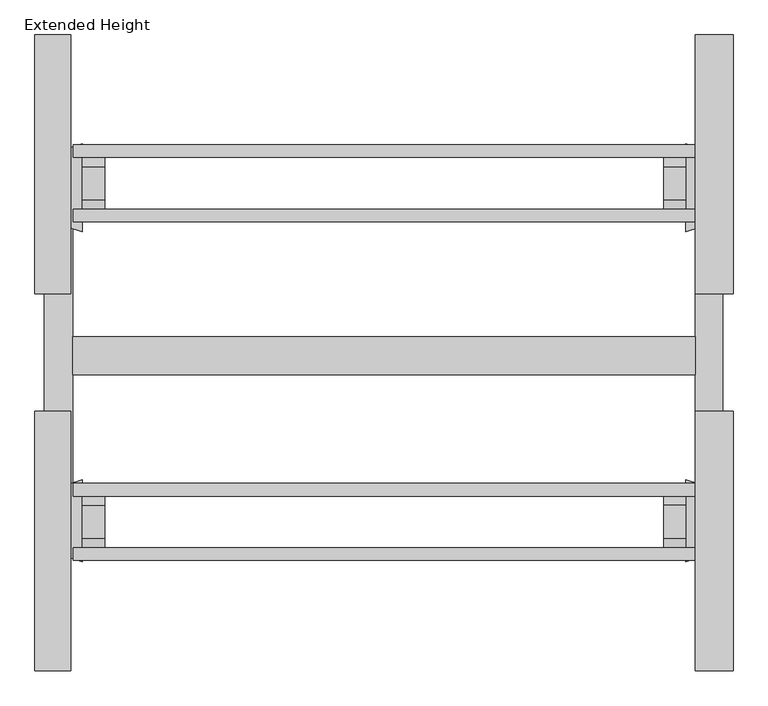
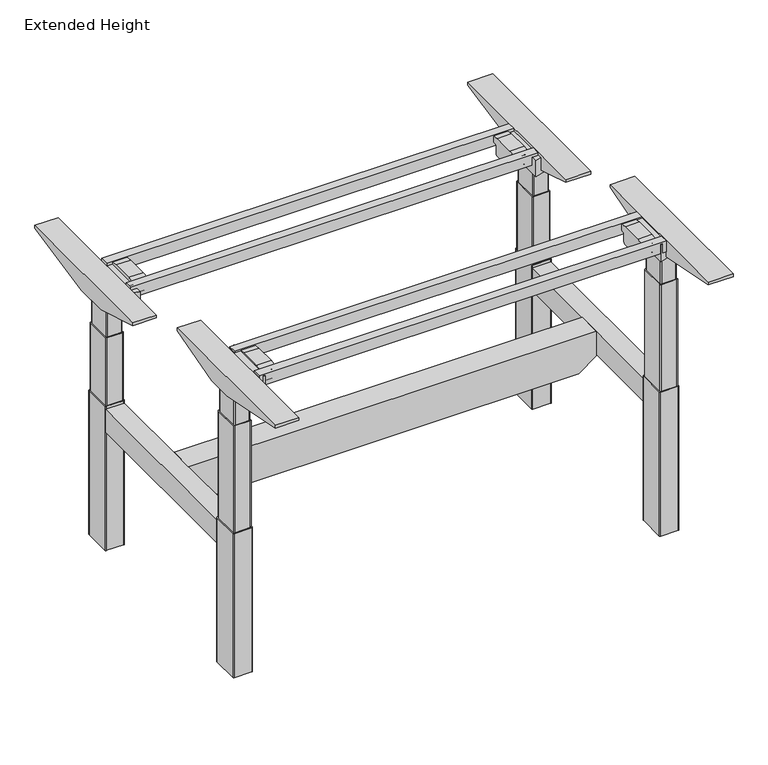
"""IFC4 building model written with IfcOpenShell, lengths in millimetres: furniture geometry, Extended Height."""

import ifcopenshell
import ifcopenshell.guid

model = None  # the IFC model being written
_history = None  # IfcOwnerHistory: only IFC2X3 demands one
_inside = {}  # id of a spatial element -> (the spatial element, [elements in it])
_under = {}  # id of a project, library or spatial element -> (it, [spatial elements below it])
_declared = {}  # id of a project -> (the project, [libraries it declares])
_typed = {}  # id of a type object -> (the type object, [elements of that type])
_made_of = {}  # id of a material, layer set ... -> (it, [elements and type objects made of it])


def new_model(schema):
    """Start an empty IFC model of exactly this schema.

    Asked for "IFC4X3", IfcOpenShell would pick the latest addendum, in which some entities
    have other attributes; the version numbers below select the first issue.
    IFC2X3 requires an IfcOwnerHistory on every rooted entity: one is made here for all.
    """
    global model, _history
    if schema == "IFC4X3":
        model = ifcopenshell.file(schema_version=(4, 3, 0, 0))
    else:
        model = ifcopenshell.file(schema=schema)
    _inside.clear()
    _under.clear()
    _declared.clear()
    _typed.clear()
    _made_of.clear()
    _history = None
    if model.schema == "IFC2X3":
        org = make("IfcOrganization", Name="unknown")
        user = make(
            "IfcPersonAndOrganization",
            ThePerson=make("IfcPerson", FamilyName="unknown"),
            TheOrganization=org,
        )
        app = make(
            "IfcApplication",
            ApplicationDeveloper=org,
            Version="unknown",
            ApplicationFullName="unknown",
            ApplicationIdentifier="unknown",
        )
        _history = make(
            "IfcOwnerHistory",
            OwningUser=user,
            OwningApplication=app,
            ChangeAction="ADDED",
            CreationDate=0,
        )
    return model


def make(cls, **values):
    """One entity of the class cls with the attributes given. An attribute that is None is left unset."""
    return model.create_entity(
        cls, **{name: value for name, value in values.items() if value is not None}
    )


def rooted(cls, **values):
    """An entity with a GlobalId (a new one), such as an element, a storey or a relation."""
    return make(cls, GlobalId=ifcopenshell.guid.new(), OwnerHistory=_history, **values)


def si_unit(unit_type, name, prefix=None):
    """IfcSIUnit, for example si_unit("LENGTHUNIT", "METRE", prefix="MILLI")."""
    return make("IfcSIUnit", UnitType=unit_type, Prefix=prefix, Name=name)


def assignment(units):
    """IfcUnitAssignment: the units of a project."""
    return None if units is None else make("IfcUnitAssignment", Units=units)


def point(xyz):
    """IfcCartesianPoint."""
    return None if xyz is None else make("IfcCartesianPoint", Coordinates=xyz)


def direction(xyz):
    """IfcDirection."""
    return None if xyz is None else make("IfcDirection", DirectionRatios=xyz)


def frame(location, z_axis=None, x_axis=None):
    """IfcAxis2Placement3D, a coordinate frame: its origin and axes. An axis left out is left unset."""
    return make(
        "IfcAxis2Placement3D",
        Location=point(location),
        Axis=direction(z_axis),
        RefDirection=direction(x_axis),
    )


def frame_2d(location, x_axis=None):
    """IfcAxis2Placement2D, a coordinate frame in the plane: its origin and x axis."""
    return make(
        "IfcAxis2Placement2D", Location=point(location), RefDirection=direction(x_axis)
    )


def origin():
    """The frame at (0, 0, 0) with its axes left unset."""
    return frame((0.0, 0.0, 0.0))


def origin_with_axes():
    """The frame at (0, 0, 0) with the z axis (0, 0, 1) and the x axis (1, 0, 0) written out."""
    return frame((0.0, 0.0, 0.0), z_axis=(0.0, 0.0, 1.0), x_axis=(1.0, 0.0, 0.0))


def place(relative_to, where):
    """IfcLocalPlacement: puts the frame where relative to a parent placement (None: the world)."""
    return make(
        "IfcLocalPlacement", PlacementRelTo=relative_to, RelativePlacement=where
    )


def context(
    kind, dimensions, precision=None, world=None, true_north=None, identifier=None
):
    """IfcGeometricRepresentationContext, for example the 3D "Model" context."""
    return make(
        "IfcGeometricRepresentationContext",
        ContextIdentifier=identifier,
        ContextType=kind,
        CoordinateSpaceDimension=dimensions,
        Precision=precision,
        WorldCoordinateSystem=world,
        TrueNorth=true_north,
    )


def project(units=None, contexts=None):
    """IfcProject with its units and contexts."""
    return rooted(
        "IfcProject",
        Name="project",
        RepresentationContexts=contexts,
        UnitsInContext=assignment(units),
    )


def spatial(cls, under=None, at=None, **own):
    """A site, building, storey or space (cls), placed at a placement, below another one or the project."""
    s = rooted(cls, ObjectPlacement=at, **own)
    if under is not None:
        _under.setdefault(under.id(), (under, []))[1].append(s)
    return s


def polyline(points):
    """IfcPolyline through the points."""
    return make("IfcPolyline", Points=[point(p) for p in points])


def circle_curve(where, radius):
    """IfcCircle in the frame where."""
    return make("IfcCircle", Position=where, Radius=radius)


def trimmed(basis, trim1, trim2, sense, master):
    """IfcTrimmedCurve: the piece of a basis curve between two trims."""
    return make(
        "IfcTrimmedCurve",
        BasisCurve=basis,
        Trim1=trim1,
        Trim2=trim2,
        SenseAgreement=sense,
        MasterRepresentation=master,
    )


def segment(curve, same_sense, transition):
    """IfcCompositeCurveSegment."""
    return make(
        "IfcCompositeCurveSegment",
        Transition=transition,
        SameSense=same_sense,
        ParentCurve=curve,
    )


def composite_curve(segments, self_intersect=None):
    """IfcCompositeCurve: segments joined end to end."""
    return make("IfcCompositeCurve", Segments=segments, SelfIntersect=self_intersect)


def outline(outer, holes=None, kind="AREA"):
    """IfcArbitraryClosedProfileDef: a profile drawn as a closed curve; with holes, ...WithVoids."""
    if holes is None:
        return make("IfcArbitraryClosedProfileDef", ProfileType=kind, OuterCurve=outer)
    return make(
        "IfcArbitraryProfileDefWithVoids",
        ProfileType=kind,
        OuterCurve=outer,
        InnerCurves=holes,
    )


def extrude(swept, where, along, depth):
    """IfcExtrudedAreaSolid: the profile swept, set in the frame where, extruded along a direction by depth."""
    return make(
        "IfcExtrudedAreaSolid",
        SweptArea=swept,
        Position=where,
        ExtrudedDirection=direction(along),
        Depth=depth,
    )


def shape(context_of_items, identifier, shape_type, items):
    """IfcShapeRepresentation: the items that make up one representation, for example the "Body"."""
    return make(
        "IfcShapeRepresentation",
        ContextOfItems=context_of_items,
        RepresentationIdentifier=identifier,
        RepresentationType=shape_type,
        Items=items,
    )


def source(mapping_origin, context_of_items, identifier, shape_type, items):
    """IfcRepresentationMap: a shape defined once, which mapped items show again and again."""
    return make(
        "IfcRepresentationMap",
        MappingOrigin=mapping_origin,
        MappedRepresentation=shape(context_of_items, identifier, shape_type, items),
    )


def transform(
    local_origin,
    x_axis=None,
    y_axis=None,
    z_axis=None,
    scale=None,
    scale2=None,
    scale3=None,
    uniform=True,
):
    """IfcCartesianTransformationOperator3D, or its non-uniform kind. x_axis, y_axis, z_axis: its Axis1, 2, 3."""
    if uniform:
        return make(
            "IfcCartesianTransformationOperator3D",
            Axis1=direction(x_axis),
            Axis2=direction(y_axis),
            LocalOrigin=point(local_origin),
            Scale=scale,
            Axis3=direction(z_axis),
        )
    return make(
        "IfcCartesianTransformationOperator3DnonUniform",
        Axis1=direction(x_axis),
        Axis2=direction(y_axis),
        LocalOrigin=point(local_origin),
        Scale=scale,
        Axis3=direction(z_axis),
        Scale2=scale2,
        Scale3=scale3,
    )


def mapped(mapping_source, mapping_target):
    """IfcMappedItem: shows the shape of a source again, moved by a transform."""
    return make(
        "IfcMappedItem", MappingSource=mapping_source, MappingTarget=mapping_target
    )


def made_of(thing, what):
    """Note that an element or type object is made of a material, layer set ...; save() writes the relation."""
    if what is not None:
        _made_of.setdefault(what.id(), (what, []))[1].append(thing)
    return thing


def element(
    cls,
    number,
    at=None,
    inside=None,
    cuts=None,
    type_object=None,
    material=None,
    context=None,
    identifier="Body",
    shape_type=None,
    held_by="IfcProductDefinitionShape",
    body=None,
    shapes=None,
    **own,
):
    """One element of the class cls, such as IfcWall. Its Tag is "e" and its number.

    at: its placement. inside: the storey or other place that contains it. cuts: it is an
    opening in that element (IfcRelVoidsElement). A single representation is given by context,
    identifier, shape_type and body (its items); several are given by shapes. held_by: the class
    of the entity that holds the representations. save() writes the other relations.
    """
    e = rooted(cls, Tag="e%d" % number, ObjectPlacement=at, **own)
    if body is not None:
        shapes = [shape(context, identifier, shape_type, body)]
    if shapes is not None:
        e.Representation = make(held_by, Representations=shapes)
    if inside is not None:
        _inside.setdefault(inside.id(), (inside, []))[1].append(e)
    if cuts is not None:
        rooted(
            "IfcRelVoidsElement", RelatingBuildingElement=cuts, RelatedOpeningElement=e
        )
    if type_object is not None:
        _typed.setdefault(type_object.id(), (type_object, []))[1].append(e)
    return made_of(e, material)


def aggregate(whole, parts):
    """IfcRelAggregates: a whole, such as a stair, and the parts it consists of."""
    return rooted("IfcRelAggregates", RelatingObject=whole, RelatedObjects=parts)


def save(model, path):
    """Write the relations noted so far, then the file.

    IfcRelAggregates (storeys below a building ...), IfcRelContainedInSpatialStructure (elements
    in a storey), IfcRelDefinesByType, IfcRelAssociatesMaterial and IfcRelDeclares: one each for
    every whole, place, type object, material and project.
    """
    for whole, parts in _under.values():
        aggregate(whole, parts)
    for where, things in _inside.values():
        rooted(
            "IfcRelContainedInSpatialStructure",
            RelatedElements=things,
            RelatingStructure=where,
        )
    for kind, things in _typed.values():
        rooted("IfcRelDefinesByType", RelatedObjects=things, RelatingType=kind)
    for what, things in _made_of.values():
        rooted("IfcRelAssociatesMaterial", RelatedObjects=things, RelatingMaterial=what)
    for by, libraries in _declared.values():
        rooted("IfcRelDeclares", RelatingContext=by, RelatedDefinitions=libraries)
    model.write(path)


def extended_height_a471dda7(model_context):
    return source(origin(), model_context, "Body", "SweptSolid", [
        extrude(outline(polyline([(1331.8504883, -466.1832528), (1331.8504883, -491.5833013), (77.8495117, -491.5833013), (77.8495117, -466.1832528), (1331.8504883, -466.1832528)])), frame((0.0, 0.0, 827.9997747), z_axis=(0.0, 0.0, 1.0), x_axis=(1.0, 0.0, 0.0)), (0.0, 0.0, 1.0), 35.6002253),
        extrude(outline(polyline([(1331.8504883, -336.1417692), (1331.8504883, -361.5418176), (77.8495117, -361.5418176), (77.8495117, -336.1417692), (1331.8504883, -336.1417692)])), frame((0.0, 0.0, 827.9997747), z_axis=(0.0, 0.0, 1.0), x_axis=(1.0, 0.0, 0.0)), (0.0, 0.0, 1.0), 35.6002253),
        extrude(outline(polyline([(1331.8504883, -1019.7166987), (1331.8504883, -1045.1167472), (77.8495117, -1045.1167472), (77.8495117, -1019.7166987), (1331.8504883, -1019.7166987)])), frame((0.0, 0.0, 954.9997747), z_axis=(0.0, 0.0, 1.0), x_axis=(1.0, 0.0, 0.0)), (0.0, 0.0, 1.0), 35.6002253),
        extrude(outline(polyline([(1331.8504883, -1149.7581824), (1331.8504883, -1175.1582308), (77.8495117, -1175.1582308), (77.8495117, -1149.7581824), (1331.8504883, -1149.7581824)])), frame((0.0, 0.0, 954.9997747), z_axis=(0.0, 0.0, 1.0), x_axis=(1.0, 0.0, 0.0)), (0.0, 0.0, 1.0), 35.6002253),
        extrude(outline(polyline([(467.7156009, 1333.282959), (467.7156009, 76.417041), (388.942891, 76.417041), (347.7514117, 129.7292559), (347.7514117, 1279.9707441), (388.942891, 1333.282959), (467.7156009, 1333.282959)])), frame((0.0, -800.1, 0.0), z_axis=(0.0, 1.0, 0.0), x_axis=(0.0, 0.0, 1.0)), (0.0, 0.0, 1.0), 76.2),
        extrude(outline(composite_curve([segment(polyline([(-1040.1471632, 967.5171551), (-1054.6796212, 967.5171551)]), True, "CONTINUOUS"), segment(trimmed(circle_curve(frame_2d((-1054.6796212, 964.9436804)), 2.5734747), [point((-1054.6796212, 967.5171551))], [point((-1057.2530959, 964.9436804))], True, "CARTESIAN"), True, "CONTINUOUS"), segment(polyline([(-1057.2530959, 964.9436804), (-1057.2530959, 938.4605175)]), True, "CONTINUOUS"), segment(trimmed(circle_curve(frame_2d((-1062.3077725, 938.4605175)), 5.0546767), [point((-1057.2530959, 938.4605175))], [point((-1062.3077725, 933.4058409))], False, "CARTESIAN"), True, "CONTINUOUS"), segment(polyline([(-1062.3077725, 933.4058409), (-1131.1363616, 933.4058409)]), True, "CONTINUOUS"), segment(trimmed(circle_curve(frame_2d((-1131.1363616, 938.2898603)), 4.8840194), [point((-1131.1363616, 933.4058409))], [point((-1136.020381, 938.2898603))], False, "CARTESIAN"), True, "CONTINUOUS"), segment(polyline([(-1136.020381, 938.2898603), (-1136.020381, 964.1779551)]), True, "CONTINUOUS"), segment(trimmed(circle_curve(frame_2d((-1139.1693211, 964.1779551)), 3.1489401), [point((-1136.020381, 964.1779551))], [point((-1139.1693211, 967.3268952))], True, "CARTESIAN"), True, "CONTINUOUS"), segment(polyline([(-1139.1693211, 967.3268952), (-1153.5282722, 967.3268952), (-1153.5282722, 987.2799481), (-1129.9048758, 990.6), (-1063.1945212, 990.6), (-1040.1471632, 987.3609051), (-1040.1471632, 967.5171551)]), True, "CONTINUOUS")], self_intersect=False)), frame((1270.0124023, 0.0, 0.0), z_axis=(1.0, 0.0, 0.0), x_axis=(0.0, 1.0, 0.0)), (0.0, 0.0, 1.0), 43.8949951),
        extrude(outline(composite_curve([segment(polyline([(-1040.2605008, 967.5171551), (-1054.7929587, 967.5171551)]), True, "CONTINUOUS"), segment(trimmed(circle_curve(frame_2d((-1054.7929587, 964.9436804)), 2.5734747), [point((-1054.7929587, 967.5171551))], [point((-1057.3664334, 964.9436804))], True, "CARTESIAN"), True, "CONTINUOUS"), segment(polyline([(-1057.3664334, 964.9436804), (-1057.3664334, 938.4605175)]), True, "CONTINUOUS"), segment(trimmed(circle_curve(frame_2d((-1062.42111, 938.4605175)), 5.0546767), [point((-1057.3664334, 938.4605175))], [point((-1062.42111, 933.4058409))], False, "CARTESIAN"), True, "CONTINUOUS"), segment(polyline([(-1062.42111, 933.4058409), (-1131.2496991, 933.4058409)]), True, "CONTINUOUS"), segment(trimmed(circle_curve(frame_2d((-1131.2496991, 938.2898603)), 4.8840194), [point((-1131.2496991, 933.4058409))], [point((-1136.1337185, 938.2898603))], False, "CARTESIAN"), True, "CONTINUOUS"), segment(polyline([(-1136.1337185, 938.2898603), (-1136.1337185, 964.1779551)]), True, "CONTINUOUS"), segment(trimmed(circle_curve(frame_2d((-1139.2826586, 964.1779551)), 3.1489401), [point((-1136.1337185, 964.1779551))], [point((-1139.2826586, 967.3268952))], True, "CARTESIAN"), True, "CONTINUOUS"), segment(polyline([(-1139.2826586, 967.3268952), (-1153.6416097, 967.3268952), (-1153.6416097, 987.2799481), (-1130.0182133, 990.6), (-1063.3078587, 990.6), (-1040.2605008, 987.3609051), (-1040.2605008, 967.5171551)]), True, "CONTINUOUS")], self_intersect=False)), frame((95.7926025, 0.0, 0.0), z_axis=(1.0, 0.0, 0.0), x_axis=(0.0, 1.0, 0.0)), (0.0, 0.0, 1.0), 45.0298096),
        extrude(outline(polyline([(-873.4827468, 981.3860275), (-1057.3018819, 929.3270521), (-1136.5016988, 929.3270521), (-1397.715681, 981.3860275), (-1397.715681, 990.6), (-873.4827468, 990.6), (-873.4827468, 981.3860275)])), frame((1333.282959, 0.0, 0.0), z_axis=(1.0, 0.0, 0.0), x_axis=(0.0, 1.0, 0.0)), (0.0, 0.0, 1.0), 76.417041),
        extrude(outline(polyline([(-873.4827468, 981.3860275), (-1057.3018819, 929.3270521), (-1136.5016988, 929.3270521), (-1397.715681, 981.3860275), (-1397.715681, 990.6), (-873.4827468, 990.6), (-873.4827468, 981.3860275)])), frame((0.0, 0.0, 0.0), z_axis=(1.0, 0.0, 0.0), x_axis=(0.0, 1.0, 0.0)), (0.0, 0.0, 1.0), 72.4079834),
        extrude(outline(composite_curve([segment(polyline([(-471.1298559, 840.5171551), (-471.1298559, 860.3609051), (-448.3484954, 863.5626165), (-381.1061459, 863.5626165), (-357.7487469, 860.2799481), (-357.7487469, 840.3268952), (-372.1076981, 840.3268952)]), True, "CONTINUOUS"), segment(trimmed(circle_curve(frame_2d((-372.1076981, 837.1779551)), 3.1489401), [point((-372.1076981, 840.3268952))], [point((-375.2566381, 837.1779551))], True, "CARTESIAN"), True, "CONTINUOUS"), segment(polyline([(-375.2566381, 837.1779551), (-375.2566381, 811.2898603)]), True, "CONTINUOUS"), segment(trimmed(circle_curve(frame_2d((-380.1406576, 811.2898603)), 4.8840194), [point((-375.2566381, 811.2898603))], [point((-380.1406576, 806.4058409))], False, "CARTESIAN"), True, "CONTINUOUS"), segment(polyline([(-380.1406576, 806.4058409), (-448.9692466, 806.4058409)]), True, "CONTINUOUS"), segment(trimmed(circle_curve(frame_2d((-448.9692466, 811.4605175)), 5.0546767), [point((-448.9692466, 806.4058409))], [point((-454.0239233, 811.4605175))], False, "CARTESIAN"), True, "CONTINUOUS"), segment(polyline([(-454.0239233, 811.4605175), (-454.0239233, 837.9436804)]), True, "CONTINUOUS"), segment(trimmed(circle_curve(frame_2d((-456.5973979, 837.9436804)), 2.5734747), [point((-454.0239233, 837.9436804))], [point((-456.5973979, 840.5171551))], True, "CARTESIAN"), True, "CONTINUOUS"), segment(polyline([(-456.5973979, 840.5171551), (-471.1298559, 840.5171551)]), True, "CONTINUOUS")], self_intersect=False)), frame((1270.0124023, 0.0, 0.0), z_axis=(1.0, 0.0, 0.0), x_axis=(0.0, 1.0, 0.0)), (0.0, 0.0, 1.0), 43.8949951),
        extrude(outline(polyline([(-361.2125066, 802.3270521), (-466.9950396, 802.3270521), (-637.1542941, 854.3860275), (-637.1542941, 863.6), (-114.0732863, 863.6), (-114.0732863, 854.1903854), (-361.2125066, 802.3270521)])), frame((1333.282959, 0.0, 0.0), z_axis=(1.0, 0.0, 0.0), x_axis=(0.0, 1.0, 0.0)), (0.0, 0.0, 1.0), 76.417041),
        extrude(outline(composite_curve([segment(polyline([(-471.1298559, 840.5171551), (-471.1298559, 860.3609051), (-448.3484954, 863.5626165), (-381.1061459, 863.5626165), (-357.7487469, 860.2799481), (-357.7487469, 840.3268952), (-372.1076981, 840.3268952)]), True, "CONTINUOUS"), segment(trimmed(circle_curve(frame_2d((-372.1076981, 837.1779551)), 3.1489401), [point((-372.1076981, 840.3268952))], [point((-375.2566381, 837.1779551))], True, "CARTESIAN"), True, "CONTINUOUS"), segment(polyline([(-375.2566381, 837.1779551), (-375.2566381, 811.2898603)]), True, "CONTINUOUS"), segment(trimmed(circle_curve(frame_2d((-380.1406576, 811.2898603)), 4.8840194), [point((-375.2566381, 811.2898603))], [point((-380.1406576, 806.4058409))], False, "CARTESIAN"), True, "CONTINUOUS"), segment(polyline([(-380.1406576, 806.4058409), (-448.9692466, 806.4058409)]), True, "CONTINUOUS"), segment(trimmed(circle_curve(frame_2d((-448.9692466, 811.4605175)), 5.0546767), [point((-448.9692466, 806.4058409))], [point((-454.0239233, 811.4605175))], False, "CARTESIAN"), True, "CONTINUOUS"), segment(polyline([(-454.0239233, 811.4605175), (-454.0239233, 837.9436804)]), True, "CONTINUOUS"), segment(trimmed(circle_curve(frame_2d((-456.5973979, 837.9436804)), 2.5734747), [point((-454.0239233, 837.9436804))], [point((-456.5973979, 840.5171551))], True, "CARTESIAN"), True, "CONTINUOUS"), segment(polyline([(-456.5973979, 840.5171551), (-471.1298559, 840.5171551)]), True, "CONTINUOUS")], self_intersect=False)), frame((95.7926025, 0.0, 0.0), z_axis=(1.0, 0.0, 0.0), x_axis=(0.0, 1.0, 0.0)), (0.0, 0.0, 1.0), 45.0298096),
        extrude(outline(polyline([(-361.2125066, 802.3270521), (-466.9950396, 802.3270521), (-637.1542941, 854.3860275), (-637.1542941, 863.6), (-114.0732863, 863.6), (-114.0732863, 854.1903854), (-361.2125066, 802.3270521)])), frame((0.0, 0.0, 0.0), z_axis=(1.0, 0.0, 0.0), x_axis=(0.0, 1.0, 0.0)), (0.0, 0.0, 1.0), 72.4079834),
        extrude(outline(composite_curve([segment(trimmed(circle_curve(frame_2d((47.804834, -1102.4053786)), 21.5292959), [point((26.275538, -1102.4053786))], [point((69.3341299, -1102.4053786))], False, "CARTESIAN"), True, "CONTINUOUS"), segment(trimmed(circle_curve(frame_2d((47.804834, -1102.4053786)), 21.5292959), [point((69.3341299, -1102.4053786))], [point((26.275538, -1102.4053786))], False, "CARTESIAN"), True, "CONTINUOUS")], self_intersect=False)), origin_with_axes(), (0.0, 0.0, 1.0), 7.1278597),
        extrude(outline(composite_curve([segment(trimmed(circle_curve(frame_2d((47.804834, -413.3792189)), 21.0370509), [point((26.7677831, -413.3792189))], [point((68.8418849, -413.3792189))], False, "CARTESIAN"), True, "CONTINUOUS"), segment(trimmed(circle_curve(frame_2d((47.804834, -413.3792189)), 21.0370509), [point((68.8418849, -413.3792189))], [point((26.7677831, -413.3792189))], False, "CARTESIAN"), True, "CONTINUOUS")], self_intersect=False)), origin_with_axes(), (0.0, 0.0, 1.0), 7.1278597),
        extrude(outline(composite_curve([segment(trimmed(circle_curve(frame_2d((1362.509082, -413.3792189)), 21.59), [point((1340.919082, -413.3792189))], [point((1384.099082, -413.3792189))], False, "CARTESIAN"), True, "CONTINUOUS"), segment(trimmed(circle_curve(frame_2d((1362.509082, -413.3792189)), 21.59), [point((1384.099082, -413.3792189))], [point((1340.919082, -413.3792189))], False, "CARTESIAN"), True, "CONTINUOUS")], self_intersect=False)), origin_with_axes(), (0.0, 0.0, 1.0), 7.1278597),
        extrude(outline(composite_curve([segment(trimmed(circle_curve(frame_2d((1362.509082, -1102.4053786)), 21.5313416), [point((1340.9777404, -1102.4053786))], [point((1384.0404236, -1102.4053786))], False, "CARTESIAN"), True, "CONTINUOUS"), segment(trimmed(circle_curve(frame_2d((1362.509082, -1102.4053786)), 21.5313416), [point((1384.0404236, -1102.4053786))], [point((1340.9777404, -1102.4053786))], False, "CARTESIAN"), True, "CONTINUOUS")], self_intersect=False)), origin_with_axes(), (0.0, 0.0, 1.0), 7.1278597),
        extrude(outline(composite_curve([segment(polyline([(1313.9073975, -1177.3885431), (1313.9073975, -1012.7238864), (1396.1244546, -1038.497732)]), True, "CONTINUOUS"), segment(trimmed(circle_curve(frame_2d((1392.1733237, -1051.1016081)), 13.2086763), [point((1396.1244546, -1038.497732))], [point((1405.382, -1051.1016081))], False, "CARTESIAN"), True, "CONTINUOUS"), segment(polyline([(1405.382, -1051.1016081), (1405.382, -1139.3844441)]), True, "CONTINUOUS"), segment(trimmed(circle_curve(frame_2d((1392.682, -1139.3844441)), 12.7), [point((1405.382, -1139.3844441))], [point((1396.4809698, -1151.5029352))], False, "CARTESIAN"), True, "CONTINUOUS"), segment(polyline([(1396.4809698, -1151.5029352), (1313.9073975, -1177.3885431)]), True, "CONTINUOUS")], self_intersect=False)), frame((0.0, 0.0, 929.3270521), z_axis=(0.0, 0.0, 1.0), x_axis=(1.0, 0.0, 0.0)), (0.0, 0.0, 1.0), 56.7116419),
        extrude(outline(composite_curve([segment(polyline([(95.7926025, -1177.3885431), (13.2190302, -1151.5029352)]), True, "CONTINUOUS"), segment(trimmed(circle_curve(frame_2d((17.018, -1139.3844441)), 12.7), [point((13.2190302, -1151.5029352))], [point((4.318, -1139.3844441))], False, "CARTESIAN"), True, "CONTINUOUS"), segment(polyline([(4.318, -1139.3844441), (4.318, -1051.1016081)]), True, "CONTINUOUS"), segment(trimmed(circle_curve(frame_2d((17.5266763, -1051.1016081)), 13.2086763), [point((4.318, -1051.1016081))], [point((13.5755454, -1038.497732))], False, "CARTESIAN"), True, "CONTINUOUS"), segment(polyline([(13.5755454, -1038.497732), (95.7926025, -1012.7238864), (95.7926025, -1177.3885431)]), True, "CONTINUOUS")], self_intersect=False)), frame((0.0, 0.0, 929.3270521), z_axis=(0.0, 0.0, 1.0), x_axis=(1.0, 0.0, 0.0)), (0.0, 0.0, 1.0), 56.7116419),
        extrude(outline(composite_curve([segment(polyline([(95.7926025, -333.9114569), (95.7926025, -511.2761136), (13.5755454, -485.502268)]), True, "CONTINUOUS"), segment(trimmed(circle_curve(frame_2d((17.5266763, -472.8983919)), 13.2086763), [point((13.5755454, -485.502268))], [point((4.318, -472.8983919))], False, "CARTESIAN"), True, "CONTINUOUS"), segment(polyline([(4.318, -472.8983919), (4.318, -371.9155559)]), True, "CONTINUOUS"), segment(trimmed(circle_curve(frame_2d((17.018, -371.9155559)), 12.7), [point((4.318, -371.9155559))], [point((13.2190302, -359.7970648))], False, "CARTESIAN"), True, "CONTINUOUS"), segment(polyline([(13.2190302, -359.7970648), (95.7926025, -333.9114569)]), True, "CONTINUOUS")], self_intersect=False)), frame((0.0, 0.0, 802.3270521), z_axis=(0.0, 0.0, 1.0), x_axis=(1.0, 0.0, 0.0)), (0.0, 0.0, 1.0), 52.0589754),
        extrude(outline(composite_curve([segment(polyline([(1313.9073975, -333.9114569), (1396.4809698, -359.7970648)]), True, "CONTINUOUS"), segment(trimmed(circle_curve(frame_2d((1392.682, -371.9155559)), 12.7), [point((1396.4809698, -359.7970648))], [point((1405.382, -371.9155559))], False, "CARTESIAN"), True, "CONTINUOUS"), segment(polyline([(1405.382, -371.9155559), (1405.382, -472.8983919)]), True, "CONTINUOUS"), segment(trimmed(circle_curve(frame_2d((1392.1733237, -472.8983919)), 13.2086763), [point((1405.382, -472.8983919))], [point((1396.1244546, -485.502268))], False, "CARTESIAN"), True, "CONTINUOUS"), segment(polyline([(1396.1244546, -485.502268), (1313.9073975, -511.2761136), (1313.9073975, -333.9114569)]), True, "CONTINUOUS")], self_intersect=False)), frame((0.0, 0.0, 802.3270521), z_axis=(0.0, 0.0, 1.0), x_axis=(1.0, 0.0, 0.0)), (0.0, 0.0, 1.0), 52.0589754),
        extrude(outline(polyline([(76.417041, -1051.8557027), (18.5880127, -1051.8557027), (18.5880127, -459.4442973), (76.417041, -459.4442973), (76.417041, -1051.8557027)])), frame((0.0, 0.0, 393.0395994), z_axis=(0.0, 0.0, 1.0), x_axis=(1.0, 0.0, 0.0)), (0.0, 0.0, 1.0), 74.6760015),
        extrude(outline(polyline([(1389.1958252, -1051.8557027), (1333.282959, -1051.8557027), (1333.282959, -459.4442973), (1389.1958252, -459.4442973), (1389.1958252, -1051.8557027)])), frame((0.0, 0.0, 393.0395994), z_axis=(0.0, 0.0, 1.0), x_axis=(1.0, 0.0, 0.0)), (0.0, 0.0, 1.0), 74.6760015),
        extrude(outline(composite_curve([segment(trimmed(circle_curve(frame_2d((1340.4001633, -1133.3935521)), 3.1081467), [point((1340.4001633, -1136.5016988))], [point((1337.2920166, -1133.3935521))], False, "CARTESIAN"), True, "CONTINUOUS"), segment(polyline([(1337.2920166, -1133.3935521), (1337.2920166, -1060.4581797)]), True, "CONTINUOUS"), segment(trimmed(circle_curve(frame_2d((1340.4483144, -1060.4581797)), 3.1562978), [point((1337.2920166, -1060.4581797))], [point((1340.4483144, -1057.3018819))], False, "CARTESIAN"), True, "CONTINUOUS"), segment(polyline([(1340.4483144, -1057.3018819), (1383.4503154, -1057.3018819)]), True, "CONTINUOUS"), segment(trimmed(circle_curve(frame_2d((1383.4503154, -1060.3498819)), 3.048), [point((1383.4503154, -1057.3018819))], [point((1386.4983154, -1060.3498819))], False, "CARTESIAN"), True, "CONTINUOUS"), segment(polyline([(1386.4983154, -1060.3498819), (1386.4983154, -1133.4159888)]), True, "CONTINUOUS"), segment(trimmed(circle_curve(frame_2d((1383.4126054, -1133.4159888)), 3.08571), [point((1386.4983154, -1133.4159888))], [point((1383.4126054, -1136.5016988))], False, "CARTESIAN"), True, "CONTINUOUS"), segment(polyline([(1383.4126054, -1136.5016988), (1340.4001633, -1136.5016988)]), True, "CONTINUOUS")], self_intersect=False)), frame((0.0, 0.0, 824.1710521), z_axis=(0.0, 0.0, 1.0), x_axis=(1.0, 0.0, 0.0)), (0.0, 0.0, 1.0), 105.156),
        extrude(outline(composite_curve([segment(polyline([(69.2998367, -1136.5016988), (26.2873946, -1136.5016988)]), True, "CONTINUOUS"), segment(trimmed(circle_curve(frame_2d((26.2873946, -1133.4159888)), 3.08571), [point((26.2873946, -1136.5016988))], [point((23.2016846, -1133.4159888))], False, "CARTESIAN"), True, "CONTINUOUS"), segment(polyline([(23.2016846, -1133.4159888), (23.2016846, -1060.3498819)]), True, "CONTINUOUS"), segment(trimmed(circle_curve(frame_2d((26.2496846, -1060.3498819)), 3.048), [point((23.2016846, -1060.3498819))], [point((26.2496846, -1057.3018819))], False, "CARTESIAN"), True, "CONTINUOUS"), segment(polyline([(26.2496846, -1057.3018819), (69.2516856, -1057.3018819)]), True, "CONTINUOUS"), segment(trimmed(circle_curve(frame_2d((69.2516856, -1060.4581797)), 3.1562978), [point((69.2516856, -1057.3018819))], [point((72.4079834, -1060.4581797))], False, "CARTESIAN"), True, "CONTINUOUS"), segment(polyline([(72.4079834, -1060.4581797), (72.4079834, -1133.3935521)]), True, "CONTINUOUS"), segment(trimmed(circle_curve(frame_2d((69.2998367, -1133.3935521)), 3.1081467), [point((72.4079834, -1133.3935521))], [point((69.2998367, -1136.5016988))], False, "CARTESIAN"), True, "CONTINUOUS")], self_intersect=False)), frame((0.0, 0.0, 824.1710521), z_axis=(0.0, 0.0, 1.0), x_axis=(1.0, 0.0, 0.0)), (0.0, 0.0, 1.0), 105.156),
        extrude(outline(composite_curve([segment(trimmed(circle_curve(frame_2d((1337.5657938, -1136.2325725)), 2.971287), [point((1337.5657938, -1139.2038595))], [point((1334.5945068, -1136.2325725))], False, "CARTESIAN"), True, "CONTINUOUS"), segment(polyline([(1334.5945068, -1136.2325725), (1334.5945068, -1057.5238315)]), True, "CONTINUOUS"), segment(trimmed(circle_curve(frame_2d((1337.5186171, -1057.5238315)), 2.9241102), [point((1334.5945068, -1057.5238315))], [point((1337.5186171, -1054.5997213))], False, "CARTESIAN"), True, "CONTINUOUS"), segment(polyline([(1337.5186171, -1054.5997213), (1386.0718357, -1054.5997213)]), True, "CONTINUOUS"), segment(trimmed(circle_curve(frame_2d((1386.0718357, -1057.7237108)), 3.1239895), [point((1386.0718357, -1054.5997213))], [point((1389.1958252, -1057.7237108))], False, "CARTESIAN"), True, "CONTINUOUS"), segment(polyline([(1389.1958252, -1057.7237108), (1389.1958252, -1136.1514433)]), True, "CONTINUOUS"), segment(trimmed(circle_curve(frame_2d((1386.143409, -1136.1514433)), 3.0524162), [point((1389.1958252, -1136.1514433))], [point((1386.143409, -1139.2038595))], False, "CARTESIAN"), True, "CONTINUOUS"), segment(polyline([(1386.143409, -1139.2038595), (1337.5657938, -1139.2038595)]), True, "CONTINUOUS")], self_intersect=False)), frame((0.0, 0.0, 476.25), z_axis=(0.0, 0.0, 1.0), x_axis=(1.0, 0.0, 0.0)), (0.0, 0.0, 1.0), 347.9210521),
        extrude(outline(composite_curve([segment(polyline([(72.1342062, -1139.2038595), (23.556591, -1139.2038595)]), True, "CONTINUOUS"), segment(trimmed(circle_curve(frame_2d((23.556591, -1136.1514433)), 3.0524162), [point((23.556591, -1139.2038595))], [point((20.5041748, -1136.1514433))], False, "CARTESIAN"), True, "CONTINUOUS"), segment(polyline([(20.5041748, -1136.1514433), (20.5041748, -1057.7237108)]), True, "CONTINUOUS"), segment(trimmed(circle_curve(frame_2d((23.6281643, -1057.7237108)), 3.1239895), [point((20.5041748, -1057.7237108))], [point((23.6281643, -1054.5997213))], False, "CARTESIAN"), True, "CONTINUOUS"), segment(polyline([(23.6281643, -1054.5997213), (72.1813829, -1054.5997213)]), True, "CONTINUOUS"), segment(trimmed(circle_curve(frame_2d((72.1813829, -1057.5238315)), 2.9241102), [point((72.1813829, -1054.5997213))], [point((75.1054932, -1057.5238315))], False, "CARTESIAN"), True, "CONTINUOUS"), segment(polyline([(75.1054932, -1057.5238315), (75.1054932, -1136.2325725)]), True, "CONTINUOUS"), segment(trimmed(circle_curve(frame_2d((72.1342062, -1136.2325725)), 2.971287), [point((75.1054932, -1136.2325725))], [point((72.1342062, -1139.2038595))], False, "CARTESIAN"), True, "CONTINUOUS")], self_intersect=False)), frame((0.0, 0.0, 476.25), z_axis=(0.0, 0.0, 1.0), x_axis=(1.0, 0.0, 0.0)), (0.0, 0.0, 1.0), 347.9210521),
        extrude(outline(composite_curve([segment(polyline([(1334.8984883, -1051.8557027), (1388.9092141, -1051.8557027)]), True, "CONTINUOUS"), segment(trimmed(circle_curve(frame_2d((1388.9092141, -1054.8677288)), 3.0120261), [point((1388.9092141, -1051.8557027))], [point((1391.9212402, -1054.8677288))], False, "CARTESIAN"), True, "CONTINUOUS"), segment(polyline([(1391.9212402, -1054.8677288), (1391.9212402, -1138.899878)]), True, "CONTINUOUS"), segment(trimmed(circle_curve(frame_2d((1388.8732402, -1138.899878)), 3.048), [point((1391.9212402, -1138.899878))], [point((1388.8732402, -1141.947878))], False, "CARTESIAN"), True, "CONTINUOUS"), segment(polyline([(1388.8732402, -1141.947878), (1334.8769904, -1141.947878)]), True, "CONTINUOUS"), segment(trimmed(circle_curve(frame_2d((1334.8769904, -1138.9213759)), 3.0265021), [point((1334.8769904, -1141.947878))], [point((1331.8504883, -1138.9213759))], False, "CARTESIAN"), True, "CONTINUOUS"), segment(polyline([(1331.8504883, -1138.9213759), (1331.8504883, -1054.9037027)]), True, "CONTINUOUS"), segment(trimmed(circle_curve(frame_2d((1334.8984883, -1054.9037027)), 3.048), [point((1331.8504883, -1054.9037027))], [point((1334.8984883, -1051.8557027))], False, "CARTESIAN"), True, "CONTINUOUS")], self_intersect=False)), frame((0.0, 0.0, 7.1278597), z_axis=(0.0, 0.0, 1.0), x_axis=(1.0, 0.0, 0.0)), (0.0, 0.0, 1.0), 469.1221403),
        extrude(outline(composite_curve([segment(trimmed(circle_curve(frame_2d((74.8015117, -1054.9037027)), 3.048), [point((74.8015117, -1051.8557027))], [point((77.8495117, -1054.9037027))], False, "CARTESIAN"), True, "CONTINUOUS"), segment(polyline([(77.8495117, -1054.9037027), (77.8495117, -1138.9213759)]), True, "CONTINUOUS"), segment(trimmed(circle_curve(frame_2d((74.8230096, -1138.9213759)), 3.0265021), [point((77.8495117, -1138.9213759))], [point((74.8230096, -1141.947878))], False, "CARTESIAN"), True, "CONTINUOUS"), segment(polyline([(74.8230096, -1141.947878), (20.8267598, -1141.947878)]), True, "CONTINUOUS"), segment(trimmed(circle_curve(frame_2d((20.8267598, -1138.899878)), 3.048), [point((20.8267598, -1141.947878))], [point((17.7787598, -1138.899878))], False, "CARTESIAN"), True, "CONTINUOUS"), segment(polyline([(17.7787598, -1138.899878), (17.7787598, -1054.8677288)]), True, "CONTINUOUS"), segment(trimmed(circle_curve(frame_2d((20.7907859, -1054.8677288)), 3.0120261), [point((17.7787598, -1054.8677288))], [point((20.7907859, -1051.8557027))], False, "CARTESIAN"), True, "CONTINUOUS"), segment(polyline([(20.7907859, -1051.8557027), (74.8015117, -1051.8557027)]), True, "CONTINUOUS")], self_intersect=False)), frame((0.0, 0.0, 7.1278597), z_axis=(0.0, 0.0, 1.0), x_axis=(1.0, 0.0, 0.0)), (0.0, 0.0, 1.0), 469.1221403),
        extrude(outline(composite_curve([segment(trimmed(circle_curve(frame_2d((69.2998367, -377.9064479)), 3.1081467), [point((69.2998367, -374.7983012))], [point((72.4079834, -377.9064479))], False, "CARTESIAN"), True, "CONTINUOUS"), segment(polyline([(72.4079834, -377.9064479), (72.4079834, -450.8418203)]), True, "CONTINUOUS"), segment(trimmed(circle_curve(frame_2d((69.2516856, -450.8418203)), 3.1562978), [point((72.4079834, -450.8418203))], [point((69.2516856, -453.9981181))], False, "CARTESIAN"), True, "CONTINUOUS"), segment(polyline([(69.2516856, -453.9981181), (26.2496846, -453.9981181)]), True, "CONTINUOUS"), segment(trimmed(circle_curve(frame_2d((26.2496846, -450.9501181)), 3.048), [point((26.2496846, -453.9981181))], [point((23.2016846, -450.9501181))], False, "CARTESIAN"), True, "CONTINUOUS"), segment(polyline([(23.2016846, -450.9501181), (23.2016846, -377.8840112)]), True, "CONTINUOUS"), segment(trimmed(circle_curve(frame_2d((26.2873946, -377.8840112)), 3.08571), [point((23.2016846, -377.8840112))], [point((26.2873946, -374.7983012))], False, "CARTESIAN"), True, "CONTINUOUS"), segment(polyline([(26.2873946, -374.7983012), (69.2998367, -374.7983012)]), True, "CONTINUOUS")], self_intersect=False)), frame((0.0, 0.0, 697.1710521), z_axis=(0.0, 0.0, 1.0), x_axis=(1.0, 0.0, 0.0)), (0.0, 0.0, 1.0), 105.156),
        extrude(outline(composite_curve([segment(polyline([(1340.4001633, -374.7983012), (1383.4126054, -374.7983012)]), True, "CONTINUOUS"), segment(trimmed(circle_curve(frame_2d((1383.4126054, -377.8840112)), 3.08571), [point((1383.4126054, -374.7983012))], [point((1386.4983154, -377.8840112))], False, "CARTESIAN"), True, "CONTINUOUS"), segment(polyline([(1386.4983154, -377.8840112), (1386.4983154, -450.9501181)]), True, "CONTINUOUS"), segment(trimmed(circle_curve(frame_2d((1383.4503154, -450.9501181)), 3.048), [point((1386.4983154, -450.9501181))], [point((1383.4503154, -453.9981181))], False, "CARTESIAN"), True, "CONTINUOUS"), segment(polyline([(1383.4503154, -453.9981181), (1340.4483144, -453.9981181)]), True, "CONTINUOUS"), segment(trimmed(circle_curve(frame_2d((1340.4483144, -450.8418203)), 3.1562978), [point((1340.4483144, -453.9981181))], [point((1337.2920166, -450.8418203))], False, "CARTESIAN"), True, "CONTINUOUS"), segment(polyline([(1337.2920166, -450.8418203), (1337.2920166, -377.9064479)]), True, "CONTINUOUS"), segment(trimmed(circle_curve(frame_2d((1340.4001633, -377.9064479)), 3.1081467), [point((1337.2920166, -377.9064479))], [point((1340.4001633, -374.7983012))], False, "CARTESIAN"), True, "CONTINUOUS")], self_intersect=False)), frame((0.0, 0.0, 697.1710521), z_axis=(0.0, 0.0, 1.0), x_axis=(1.0, 0.0, 0.0)), (0.0, 0.0, 1.0), 105.156),
        extrude(outline(composite_curve([segment(trimmed(circle_curve(frame_2d((72.1342062, -375.0674275)), 2.971287), [point((72.1342062, -372.0961405))], [point((75.1054932, -375.0674275))], False, "CARTESIAN"), True, "CONTINUOUS"), segment(polyline([(75.1054932, -375.0674275), (75.1054932, -453.7761685)]), True, "CONTINUOUS"), segment(trimmed(circle_curve(frame_2d((72.1813829, -453.7761685)), 2.9241102), [point((75.1054932, -453.7761685))], [point((72.1813829, -456.7002787))], False, "CARTESIAN"), True, "CONTINUOUS"), segment(polyline([(72.1813829, -456.7002787), (23.6281643, -456.7002787)]), True, "CONTINUOUS"), segment(trimmed(circle_curve(frame_2d((23.6281643, -453.5762892)), 3.1239895), [point((23.6281643, -456.7002787))], [point((20.5041748, -453.5762892))], False, "CARTESIAN"), True, "CONTINUOUS"), segment(polyline([(20.5041748, -453.5762892), (20.5041748, -375.1485567)]), True, "CONTINUOUS"), segment(trimmed(circle_curve(frame_2d((23.556591, -375.1485567)), 3.0524162), [point((20.5041748, -375.1485567))], [point((23.556591, -372.0961405))], False, "CARTESIAN"), True, "CONTINUOUS"), segment(polyline([(23.556591, -372.0961405), (72.1342062, -372.0961405)]), True, "CONTINUOUS")], self_intersect=False)), frame((0.0, 0.0, 476.25), z_axis=(0.0, 0.0, 1.0), x_axis=(1.0, 0.0, 0.0)), (0.0, 0.0, 1.0), 220.9210521),
        extrude(outline(composite_curve([segment(polyline([(1337.5657938, -372.0961405), (1386.143409, -372.0961405)]), True, "CONTINUOUS"), segment(trimmed(circle_curve(frame_2d((1386.143409, -375.1485567)), 3.0524162), [point((1386.143409, -372.0961405))], [point((1389.1958252, -375.1485567))], False, "CARTESIAN"), True, "CONTINUOUS"), segment(polyline([(1389.1958252, -375.1485567), (1389.1958252, -453.5762892)]), True, "CONTINUOUS"), segment(trimmed(circle_curve(frame_2d((1386.0718357, -453.5762892)), 3.1239895), [point((1389.1958252, -453.5762892))], [point((1386.0718357, -456.7002787))], False, "CARTESIAN"), True, "CONTINUOUS"), segment(polyline([(1386.0718357, -456.7002787), (1337.5186171, -456.7002787)]), True, "CONTINUOUS"), segment(trimmed(circle_curve(frame_2d((1337.5186171, -453.7761685)), 2.9241102), [point((1337.5186171, -456.7002787))], [point((1334.5945068, -453.7761685))], False, "CARTESIAN"), True, "CONTINUOUS"), segment(polyline([(1334.5945068, -453.7761685), (1334.5945068, -375.0674275)]), True, "CONTINUOUS"), segment(trimmed(circle_curve(frame_2d((1337.5657938, -375.0674275)), 2.971287), [point((1334.5945068, -375.0674275))], [point((1337.5657938, -372.0961405))], False, "CARTESIAN"), True, "CONTINUOUS")], self_intersect=False)), frame((0.0, 0.0, 476.25), z_axis=(0.0, 0.0, 1.0), x_axis=(1.0, 0.0, 0.0)), (0.0, 0.0, 1.0), 220.9210521),
        extrude(outline(composite_curve([segment(polyline([(74.8015117, -459.4442973), (20.7907859, -459.4442973)]), True, "CONTINUOUS"), segment(trimmed(circle_curve(frame_2d((20.7907859, -456.4322712)), 3.0120261), [point((20.7907859, -459.4442973))], [point((17.7787598, -456.4322712))], False, "CARTESIAN"), True, "CONTINUOUS"), segment(polyline([(17.7787598, -456.4322712), (17.7787598, -372.400122)]), True, "CONTINUOUS"), segment(trimmed(circle_curve(frame_2d((20.8267598, -372.400122)), 3.048), [point((17.7787598, -372.400122))], [point((20.8267598, -369.352122))], False, "CARTESIAN"), True, "CONTINUOUS"), segment(polyline([(20.8267598, -369.352122), (74.8230096, -369.352122)]), True, "CONTINUOUS"), segment(trimmed(circle_curve(frame_2d((74.8230096, -372.3786241)), 3.0265021), [point((74.8230096, -369.352122))], [point((77.8495117, -372.3786241))], False, "CARTESIAN"), True, "CONTINUOUS"), segment(polyline([(77.8495117, -372.3786241), (77.8495117, -456.3962973)]), True, "CONTINUOUS"), segment(trimmed(circle_curve(frame_2d((74.8015117, -456.3962973)), 3.048), [point((77.8495117, -456.3962973))], [point((74.8015117, -459.4442973))], False, "CARTESIAN"), True, "CONTINUOUS")], self_intersect=False)), frame((0.0, 0.0, 7.1278597), z_axis=(0.0, 0.0, 1.0), x_axis=(1.0, 0.0, 0.0)), (0.0, 0.0, 1.0), 469.1221403),
        extrude(outline(composite_curve([segment(trimmed(circle_curve(frame_2d((1334.8984883, -456.3962973)), 3.048), [point((1334.8984883, -459.4442973))], [point((1331.8504883, -456.3962973))], False, "CARTESIAN"), True, "CONTINUOUS"), segment(polyline([(1331.8504883, -456.3962973), (1331.8504883, -372.3786241)]), True, "CONTINUOUS"), segment(trimmed(circle_curve(frame_2d((1334.8769904, -372.3786241)), 3.0265021), [point((1331.8504883, -372.3786241))], [point((1334.8769904, -369.352122))], False, "CARTESIAN"), True, "CONTINUOUS"), segment(polyline([(1334.8769904, -369.352122), (1388.8732402, -369.352122)]), True, "CONTINUOUS"), segment(trimmed(circle_curve(frame_2d((1388.8732402, -372.400122)), 3.048), [point((1388.8732402, -369.352122))], [point((1391.9212402, -372.400122))], False, "CARTESIAN"), True, "CONTINUOUS"), segment(polyline([(1391.9212402, -372.400122), (1391.9212402, -456.4322712)]), True, "CONTINUOUS"), segment(trimmed(circle_curve(frame_2d((1388.9092141, -456.4322712)), 3.0120261), [point((1391.9212402, -456.4322712))], [point((1388.9092141, -459.4442973))], False, "CARTESIAN"), True, "CONTINUOUS"), segment(polyline([(1388.9092141, -459.4442973), (1334.8984883, -459.4442973)]), True, "CONTINUOUS")], self_intersect=False)), frame((0.0, 0.0, 7.1278597), z_axis=(0.0, 0.0, 1.0), x_axis=(1.0, 0.0, 0.0)), (0.0, 0.0, 1.0), 469.1221403),
    ])


if __name__ == "__main__":
    model = new_model("IFC4")
    model_context = context("Model", 3, world=origin())
    ifc_project = project(units=[si_unit("LENGTHUNIT", "METRE", prefix="MILLI")], contexts=[model_context])
    site = spatial("IfcSite", under=ifc_project)
    building = spatial("IfcBuilding", under=site)
    placement = place(None, origin())
    extended_height_shape = extended_height_a471dda7(model_context)
    element("IfcFurniture", 1, ObjectType="Extended Height", at=placement, inside=building, context=model_context, shape_type="MappedRepresentation", body=[
        mapped(extended_height_shape, transform((0.0, 0.0, 0.0), x_axis=(1.0, 0.0, 0.0), y_axis=(0.0, 1.0, 0.0), z_axis=(0.0, 0.0, 1.0))),
    ])
    save(model, "model.ifc")
